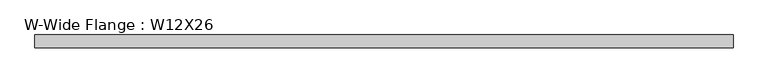
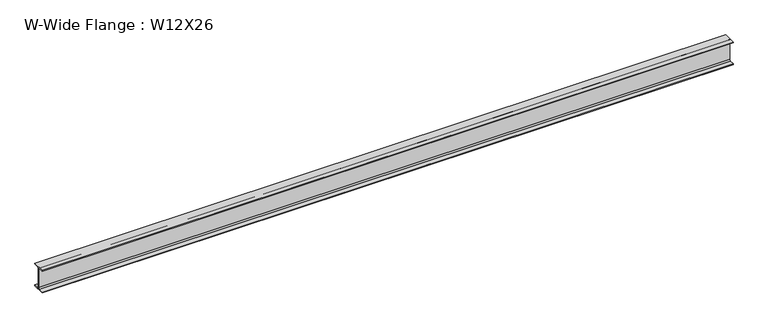
"""IFC4 building model written with IfcOpenShell, lengths in millimetres: beam geometry, W-Wide Flange : W12X26."""

from ifc_helpers import new_model, si_unit, point, frame, frame_2d, origin, place, context, project, spatial, polyline, circle_curve, trimmed, segment, composite_curve, outline, extrude, source, transform, mapped, element, save


def w_wide_flange_w12x26_1bcf538a(model_context):
    return source(origin(), model_context, "Body", "SweptSolid", [
        extrude(outline(composite_curve([segment(polyline([(82.4011719, -145.5539063), (82.4011719, -155.178125), (-82.4011719, -155.178125), (-82.4011719, -145.5539063), (-20.2902344, -145.5539063)]), True, "CONTINUOUS"), segment(trimmed(circle_curve(frame_2d((-20.2902344, -128.190625)), 17.3632812), [point((-20.2902344, -145.5539063))], [point((-2.9269531, -128.190625))], True, "CARTESIAN"), True, "CONTINUOUS"), segment(polyline([(-2.9269531, -128.190625), (-2.9269531, 128.190625)]), True, "CONTINUOUS"), segment(trimmed(circle_curve(frame_2d((-20.2902344, 128.190625)), 17.3632812), [point((-2.9269531, 128.190625))], [point((-20.2902344, 145.5539062))], True, "CARTESIAN"), True, "CONTINUOUS"), segment(polyline([(-20.2902344, 145.5539062), (-82.4011719, 145.5539062), (-82.4011719, 155.178125), (82.4011719, 155.178125), (82.4011719, 145.5539062), (20.2902344, 145.5539062)]), True, "CONTINUOUS"), segment(trimmed(circle_curve(frame_2d((20.2902344, 128.190625)), 17.3632812), [point((20.2902344, 145.5539062))], [point((2.9269531, 128.190625))], True, "CARTESIAN"), True, "CONTINUOUS"), segment(polyline([(2.9269531, 128.190625), (2.9269531, -128.190625)]), True, "CONTINUOUS"), segment(trimmed(circle_curve(frame_2d((20.2902344, -128.190625)), 17.3632812), [point((2.9269531, -128.190625))], [point((20.2902344, -145.5539063))], True, "CARTESIAN"), True, "CONTINUOUS"), segment(polyline([(20.2902344, -145.5539063), (82.4011719, -145.5539063)]), True, "CONTINUOUS")], self_intersect=False)), frame((-4457.9480469, 0.0, 0.0), z_axis=(1.0, 0.0, 0.0), x_axis=(0.0, 1.0, 0.0)), (0.0, 0.0, 1.0), 9055.3480469),
    ])


if __name__ == "__main__":
    model = new_model("IFC4")
    model_context = context("Model", 3, world=origin())
    ifc_project = project(units=[si_unit("LENGTHUNIT", "METRE", prefix="MILLI")], contexts=[model_context])
    site = spatial("IfcSite", under=ifc_project)
    building = spatial("IfcBuilding", under=site)
    placement = place(None, origin())
    w_wide_flange_w12x26_shape = w_wide_flange_w12x26_1bcf538a(model_context)
    element("IfcBeam", 1, ObjectType="W-Wide Flange : W12X26", at=placement, inside=building, context=model_context, shape_type="MappedRepresentation", body=[
        mapped(w_wide_flange_w12x26_shape, transform((0.0, 0.0, 0.0), x_axis=(1.0, 0.0, 0.0), y_axis=(0.0, 1.0, 0.0), z_axis=(0.0, 0.0, 1.0))),
    ])
    save(model, "model.ifc")
